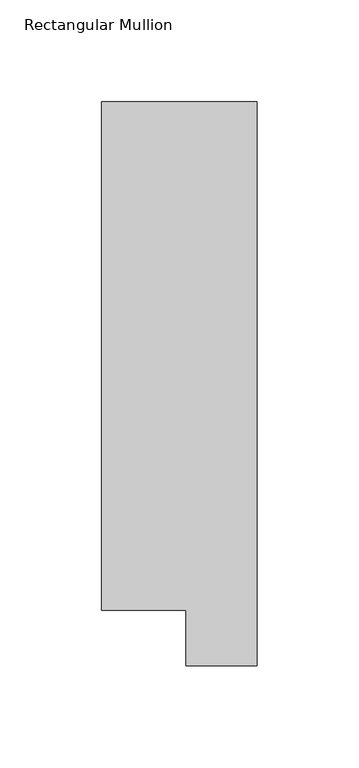
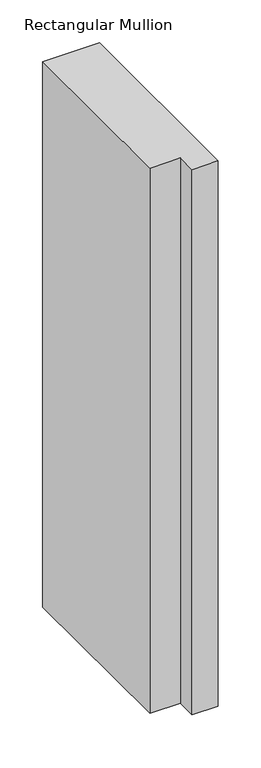
"""IFC4 building model written with IfcOpenShell, lengths in millimetres: member geometry, Rectangular Mullion."""

import ifcopenshell
import ifcopenshell.guid

model = None  # the IFC model being written
_history = None  # IfcOwnerHistory: only IFC2X3 demands one
_inside = {}  # id of a spatial element -> (the spatial element, [elements in it])
_under = {}  # id of a project, library or spatial element -> (it, [spatial elements below it])
_declared = {}  # id of a project -> (the project, [libraries it declares])
_typed = {}  # id of a type object -> (the type object, [elements of that type])
_made_of = {}  # id of a material, layer set ... -> (it, [elements and type objects made of it])


def new_model(schema):
    """Start an empty IFC model of exactly this schema.

    Asked for "IFC4X3", IfcOpenShell would pick the latest addendum, in which some entities
    have other attributes; the version numbers below select the first issue.
    IFC2X3 requires an IfcOwnerHistory on every rooted entity: one is made here for all.
    """
    global model, _history
    if schema == "IFC4X3":
        model = ifcopenshell.file(schema_version=(4, 3, 0, 0))
    else:
        model = ifcopenshell.file(schema=schema)
    _inside.clear()
    _under.clear()
    _declared.clear()
    _typed.clear()
    _made_of.clear()
    _history = None
    if model.schema == "IFC2X3":
        org = make("IfcOrganization", Name="unknown")
        user = make(
            "IfcPersonAndOrganization",
            ThePerson=make("IfcPerson", FamilyName="unknown"),
            TheOrganization=org,
        )
        app = make(
            "IfcApplication",
            ApplicationDeveloper=org,
            Version="unknown",
            ApplicationFullName="unknown",
            ApplicationIdentifier="unknown",
        )
        _history = make(
            "IfcOwnerHistory",
            OwningUser=user,
            OwningApplication=app,
            ChangeAction="ADDED",
            CreationDate=0,
        )
    return model


def make(cls, **values):
    """One entity of the class cls with the attributes given. An attribute that is None is left unset."""
    return model.create_entity(
        cls, **{name: value for name, value in values.items() if value is not None}
    )


def rooted(cls, **values):
    """An entity with a GlobalId (a new one), such as an element, a storey or a relation."""
    return make(cls, GlobalId=ifcopenshell.guid.new(), OwnerHistory=_history, **values)


def si_unit(unit_type, name, prefix=None):
    """IfcSIUnit, for example si_unit("LENGTHUNIT", "METRE", prefix="MILLI")."""
    return make("IfcSIUnit", UnitType=unit_type, Prefix=prefix, Name=name)


def assignment(units):
    """IfcUnitAssignment: the units of a project."""
    return None if units is None else make("IfcUnitAssignment", Units=units)


def point(xyz):
    """IfcCartesianPoint."""
    return None if xyz is None else make("IfcCartesianPoint", Coordinates=xyz)


def direction(xyz):
    """IfcDirection."""
    return None if xyz is None else make("IfcDirection", DirectionRatios=xyz)


def frame(location, z_axis=None, x_axis=None):
    """IfcAxis2Placement3D, a coordinate frame: its origin and axes. An axis left out is left unset."""
    return make(
        "IfcAxis2Placement3D",
        Location=point(location),
        Axis=direction(z_axis),
        RefDirection=direction(x_axis),
    )


def origin():
    """The frame at (0, 0, 0) with its axes left unset."""
    return frame((0.0, 0.0, 0.0))


def place(relative_to, where):
    """IfcLocalPlacement: puts the frame where relative to a parent placement (None: the world)."""
    return make(
        "IfcLocalPlacement", PlacementRelTo=relative_to, RelativePlacement=where
    )


def context(
    kind, dimensions, precision=None, world=None, true_north=None, identifier=None
):
    """IfcGeometricRepresentationContext, for example the 3D "Model" context."""
    return make(
        "IfcGeometricRepresentationContext",
        ContextIdentifier=identifier,
        ContextType=kind,
        CoordinateSpaceDimension=dimensions,
        Precision=precision,
        WorldCoordinateSystem=world,
        TrueNorth=true_north,
    )


def project(units=None, contexts=None):
    """IfcProject with its units and contexts."""
    return rooted(
        "IfcProject",
        Name="project",
        RepresentationContexts=contexts,
        UnitsInContext=assignment(units),
    )


def spatial(cls, under=None, at=None, **own):
    """A site, building, storey or space (cls), placed at a placement, below another one or the project."""
    s = rooted(cls, ObjectPlacement=at, **own)
    if under is not None:
        _under.setdefault(under.id(), (under, []))[1].append(s)
    return s


def polyline(points):
    """IfcPolyline through the points."""
    return make("IfcPolyline", Points=[point(p) for p in points])


def outline(outer, holes=None, kind="AREA"):
    """IfcArbitraryClosedProfileDef: a profile drawn as a closed curve; with holes, ...WithVoids."""
    if holes is None:
        return make("IfcArbitraryClosedProfileDef", ProfileType=kind, OuterCurve=outer)
    return make(
        "IfcArbitraryProfileDefWithVoids",
        ProfileType=kind,
        OuterCurve=outer,
        InnerCurves=holes,
    )


def extrude(swept, where, along, depth):
    """IfcExtrudedAreaSolid: the profile swept, set in the frame where, extruded along a direction by depth."""
    return make(
        "IfcExtrudedAreaSolid",
        SweptArea=swept,
        Position=where,
        ExtrudedDirection=direction(along),
        Depth=depth,
    )


def shape(context_of_items, identifier, shape_type, items):
    """IfcShapeRepresentation: the items that make up one representation, for example the "Body"."""
    return make(
        "IfcShapeRepresentation",
        ContextOfItems=context_of_items,
        RepresentationIdentifier=identifier,
        RepresentationType=shape_type,
        Items=items,
    )


def source(mapping_origin, context_of_items, identifier, shape_type, items):
    """IfcRepresentationMap: a shape defined once, which mapped items show again and again."""
    return make(
        "IfcRepresentationMap",
        MappingOrigin=mapping_origin,
        MappedRepresentation=shape(context_of_items, identifier, shape_type, items),
    )


def transform(
    local_origin,
    x_axis=None,
    y_axis=None,
    z_axis=None,
    scale=None,
    scale2=None,
    scale3=None,
    uniform=True,
):
    """IfcCartesianTransformationOperator3D, or its non-uniform kind. x_axis, y_axis, z_axis: its Axis1, 2, 3."""
    if uniform:
        return make(
            "IfcCartesianTransformationOperator3D",
            Axis1=direction(x_axis),
            Axis2=direction(y_axis),
            LocalOrigin=point(local_origin),
            Scale=scale,
            Axis3=direction(z_axis),
        )
    return make(
        "IfcCartesianTransformationOperator3DnonUniform",
        Axis1=direction(x_axis),
        Axis2=direction(y_axis),
        LocalOrigin=point(local_origin),
        Scale=scale,
        Axis3=direction(z_axis),
        Scale2=scale2,
        Scale3=scale3,
    )


def mapped(mapping_source, mapping_target):
    """IfcMappedItem: shows the shape of a source again, moved by a transform."""
    return make(
        "IfcMappedItem", MappingSource=mapping_source, MappingTarget=mapping_target
    )


def made_of(thing, what):
    """Note that an element or type object is made of a material, layer set ...; save() writes the relation."""
    if what is not None:
        _made_of.setdefault(what.id(), (what, []))[1].append(thing)
    return thing


def element(
    cls,
    number,
    at=None,
    inside=None,
    cuts=None,
    type_object=None,
    material=None,
    context=None,
    identifier="Body",
    shape_type=None,
    held_by="IfcProductDefinitionShape",
    body=None,
    shapes=None,
    **own,
):
    """One element of the class cls, such as IfcWall. Its Tag is "e" and its number.

    at: its placement. inside: the storey or other place that contains it. cuts: it is an
    opening in that element (IfcRelVoidsElement). A single representation is given by context,
    identifier, shape_type and body (its items); several are given by shapes. held_by: the class
    of the entity that holds the representations. save() writes the other relations.
    """
    e = rooted(cls, Tag="e%d" % number, ObjectPlacement=at, **own)
    if body is not None:
        shapes = [shape(context, identifier, shape_type, body)]
    if shapes is not None:
        e.Representation = make(held_by, Representations=shapes)
    if inside is not None:
        _inside.setdefault(inside.id(), (inside, []))[1].append(e)
    if cuts is not None:
        rooted(
            "IfcRelVoidsElement", RelatingBuildingElement=cuts, RelatedOpeningElement=e
        )
    if type_object is not None:
        _typed.setdefault(type_object.id(), (type_object, []))[1].append(e)
    return made_of(e, material)


def aggregate(whole, parts):
    """IfcRelAggregates: a whole, such as a stair, and the parts it consists of."""
    return rooted("IfcRelAggregates", RelatingObject=whole, RelatedObjects=parts)


def save(model, path):
    """Write the relations noted so far, then the file.

    IfcRelAggregates (storeys below a building ...), IfcRelContainedInSpatialStructure (elements
    in a storey), IfcRelDefinesByType, IfcRelAssociatesMaterial and IfcRelDeclares: one each for
    every whole, place, type object, material and project.
    """
    for whole, parts in _under.values():
        aggregate(whole, parts)
    for where, things in _inside.values():
        rooted(
            "IfcRelContainedInSpatialStructure",
            RelatedElements=things,
            RelatingStructure=where,
        )
    for kind, things in _typed.values():
        rooted("IfcRelDefinesByType", RelatedObjects=things, RelatingType=kind)
    for what, things in _made_of.values():
        rooted("IfcRelAssociatesMaterial", RelatedObjects=things, RelatingMaterial=what)
    for by, libraries in _declared.values():
        rooted("IfcRelDeclares", RelatingContext=by, RelatedDefinitions=libraries)
    model.write(path)


def rectangular_mullion_b8b26b64(model_context):
    return source(origin(), model_context, "Body", "SweptSolid", [
        extrude(outline(polyline([(0.0, 295.9695313), (0.0, 19.5667312), (-34.9123, 19.5667312), (-34.9123, 46.7447302), (-76.2, 46.7447302), (-76.2, 295.9695313), (0.0, 295.9695313)])), frame((0.0, 0.0, -774.6999996), z_axis=(0.0, 0.0, 1.0), x_axis=(1.0, 0.0, 0.0)), (0.0, 0.0, 1.0), 774.6999996),
    ])


if __name__ == "__main__":
    model = new_model("IFC4")
    model_context = context("Model", 3, world=origin())
    ifc_project = project(units=[si_unit("LENGTHUNIT", "METRE", prefix="MILLI")], contexts=[model_context])
    site = spatial("IfcSite", under=ifc_project)
    building = spatial("IfcBuilding", under=site)
    placement = place(None, origin())
    rectangular_mullion_shape = rectangular_mullion_b8b26b64(model_context)
    element("IfcMember", 1, ObjectType="Rectangular Mullion", at=placement, inside=building, context=model_context, shape_type="MappedRepresentation", body=[
        mapped(rectangular_mullion_shape, transform((0.0, 0.0, 0.0), x_axis=(1.0, 0.0, 0.0), y_axis=(0.0, 1.0, 0.0), z_axis=(0.0, 0.0, 1.0))),
    ])
    save(model, "model.ifc")
